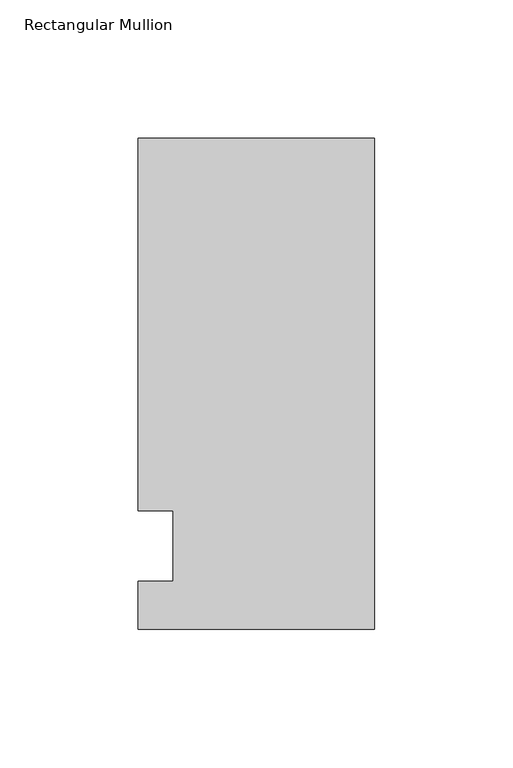
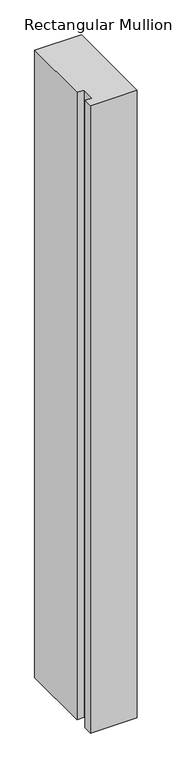
"""IFC4 building model written with IfcOpenShell, lengths in millimetres: member geometry, Rectangular Mullion."""

import ifcopenshell
import ifcopenshell.guid

model = None  # the IFC model being written
_history = None  # IfcOwnerHistory: only IFC2X3 demands one
_inside = {}  # id of a spatial element -> (the spatial element, [elements in it])
_under = {}  # id of a project, library or spatial element -> (it, [spatial elements below it])
_declared = {}  # id of a project -> (the project, [libraries it declares])
_typed = {}  # id of a type object -> (the type object, [elements of that type])
_made_of = {}  # id of a material, layer set ... -> (it, [elements and type objects made of it])


def new_model(schema):
    """Start an empty IFC model of exactly this schema.

    Asked for "IFC4X3", IfcOpenShell would pick the latest addendum, in which some entities
    have other attributes; the version numbers below select the first issue.
    IFC2X3 requires an IfcOwnerHistory on every rooted entity: one is made here for all.
    """
    global model, _history
    if schema == "IFC4X3":
        model = ifcopenshell.file(schema_version=(4, 3, 0, 0))
    else:
        model = ifcopenshell.file(schema=schema)
    _inside.clear()
    _under.clear()
    _declared.clear()
    _typed.clear()
    _made_of.clear()
    _history = None
    if model.schema == "IFC2X3":
        org = make("IfcOrganization", Name="unknown")
        user = make(
            "IfcPersonAndOrganization",
            ThePerson=make("IfcPerson", FamilyName="unknown"),
            TheOrganization=org,
        )
        app = make(
            "IfcApplication",
            ApplicationDeveloper=org,
            Version="unknown",
            ApplicationFullName="unknown",
            ApplicationIdentifier="unknown",
        )
        _history = make(
            "IfcOwnerHistory",
            OwningUser=user,
            OwningApplication=app,
            ChangeAction="ADDED",
            CreationDate=0,
        )
    return model


def make(cls, **values):
    """One entity of the class cls with the attributes given. An attribute that is None is left unset."""
    return model.create_entity(
        cls, **{name: value for name, value in values.items() if value is not None}
    )


def rooted(cls, **values):
    """An entity with a GlobalId (a new one), such as an element, a storey or a relation."""
    return make(cls, GlobalId=ifcopenshell.guid.new(), OwnerHistory=_history, **values)


def si_unit(unit_type, name, prefix=None):
    """IfcSIUnit, for example si_unit("LENGTHUNIT", "METRE", prefix="MILLI")."""
    return make("IfcSIUnit", UnitType=unit_type, Prefix=prefix, Name=name)


def assignment(units):
    """IfcUnitAssignment: the units of a project."""
    return None if units is None else make("IfcUnitAssignment", Units=units)


def point(xyz):
    """IfcCartesianPoint."""
    return None if xyz is None else make("IfcCartesianPoint", Coordinates=xyz)


def direction(xyz):
    """IfcDirection."""
    return None if xyz is None else make("IfcDirection", DirectionRatios=xyz)


def frame(location, z_axis=None, x_axis=None):
    """IfcAxis2Placement3D, a coordinate frame: its origin and axes. An axis left out is left unset."""
    return make(
        "IfcAxis2Placement3D",
        Location=point(location),
        Axis=direction(z_axis),
        RefDirection=direction(x_axis),
    )


def origin():
    """The frame at (0, 0, 0) with its axes left unset."""
    return frame((0.0, 0.0, 0.0))


def place(relative_to, where):
    """IfcLocalPlacement: puts the frame where relative to a parent placement (None: the world)."""
    return make(
        "IfcLocalPlacement", PlacementRelTo=relative_to, RelativePlacement=where
    )


def context(
    kind, dimensions, precision=None, world=None, true_north=None, identifier=None
):
    """IfcGeometricRepresentationContext, for example the 3D "Model" context."""
    return make(
        "IfcGeometricRepresentationContext",
        ContextIdentifier=identifier,
        ContextType=kind,
        CoordinateSpaceDimension=dimensions,
        Precision=precision,
        WorldCoordinateSystem=world,
        TrueNorth=true_north,
    )


def project(units=None, contexts=None):
    """IfcProject with its units and contexts."""
    return rooted(
        "IfcProject",
        Name="project",
        RepresentationContexts=contexts,
        UnitsInContext=assignment(units),
    )


def spatial(cls, under=None, at=None, **own):
    """A site, building, storey or space (cls), placed at a placement, below another one or the project."""
    s = rooted(cls, ObjectPlacement=at, **own)
    if under is not None:
        _under.setdefault(under.id(), (under, []))[1].append(s)
    return s


def polyline(points):
    """IfcPolyline through the points."""
    return make("IfcPolyline", Points=[point(p) for p in points])


def outline(outer, holes=None, kind="AREA"):
    """IfcArbitraryClosedProfileDef: a profile drawn as a closed curve; with holes, ...WithVoids."""
    if holes is None:
        return make("IfcArbitraryClosedProfileDef", ProfileType=kind, OuterCurve=outer)
    return make(
        "IfcArbitraryProfileDefWithVoids",
        ProfileType=kind,
        OuterCurve=outer,
        InnerCurves=holes,
    )


def extrude(swept, where, along, depth):
    """IfcExtrudedAreaSolid: the profile swept, set in the frame where, extruded along a direction by depth."""
    return make(
        "IfcExtrudedAreaSolid",
        SweptArea=swept,
        Position=where,
        ExtrudedDirection=direction(along),
        Depth=depth,
    )


def shape(context_of_items, identifier, shape_type, items):
    """IfcShapeRepresentation: the items that make up one representation, for example the "Body"."""
    return make(
        "IfcShapeRepresentation",
        ContextOfItems=context_of_items,
        RepresentationIdentifier=identifier,
        RepresentationType=shape_type,
        Items=items,
    )


def source(mapping_origin, context_of_items, identifier, shape_type, items):
    """IfcRepresentationMap: a shape defined once, which mapped items show again and again."""
    return make(
        "IfcRepresentationMap",
        MappingOrigin=mapping_origin,
        MappedRepresentation=shape(context_of_items, identifier, shape_type, items),
    )


def transform(
    local_origin,
    x_axis=None,
    y_axis=None,
    z_axis=None,
    scale=None,
    scale2=None,
    scale3=None,
    uniform=True,
):
    """IfcCartesianTransformationOperator3D, or its non-uniform kind. x_axis, y_axis, z_axis: its Axis1, 2, 3."""
    if uniform:
        return make(
            "IfcCartesianTransformationOperator3D",
            Axis1=direction(x_axis),
            Axis2=direction(y_axis),
            LocalOrigin=point(local_origin),
            Scale=scale,
            Axis3=direction(z_axis),
        )
    return make(
        "IfcCartesianTransformationOperator3DnonUniform",
        Axis1=direction(x_axis),
        Axis2=direction(y_axis),
        LocalOrigin=point(local_origin),
        Scale=scale,
        Axis3=direction(z_axis),
        Scale2=scale2,
        Scale3=scale3,
    )


def mapped(mapping_source, mapping_target):
    """IfcMappedItem: shows the shape of a source again, moved by a transform."""
    return make(
        "IfcMappedItem", MappingSource=mapping_source, MappingTarget=mapping_target
    )


def made_of(thing, what):
    """Note that an element or type object is made of a material, layer set ...; save() writes the relation."""
    if what is not None:
        _made_of.setdefault(what.id(), (what, []))[1].append(thing)
    return thing


def element(
    cls,
    number,
    at=None,
    inside=None,
    cuts=None,
    type_object=None,
    material=None,
    context=None,
    identifier="Body",
    shape_type=None,
    held_by="IfcProductDefinitionShape",
    body=None,
    shapes=None,
    **own,
):
    """One element of the class cls, such as IfcWall. Its Tag is "e" and its number.

    at: its placement. inside: the storey or other place that contains it. cuts: it is an
    opening in that element (IfcRelVoidsElement). A single representation is given by context,
    identifier, shape_type and body (its items); several are given by shapes. held_by: the class
    of the entity that holds the representations. save() writes the other relations.
    """
    e = rooted(cls, Tag="e%d" % number, ObjectPlacement=at, **own)
    if body is not None:
        shapes = [shape(context, identifier, shape_type, body)]
    if shapes is not None:
        e.Representation = make(held_by, Representations=shapes)
    if inside is not None:
        _inside.setdefault(inside.id(), (inside, []))[1].append(e)
    if cuts is not None:
        rooted(
            "IfcRelVoidsElement", RelatingBuildingElement=cuts, RelatedOpeningElement=e
        )
    if type_object is not None:
        _typed.setdefault(type_object.id(), (type_object, []))[1].append(e)
    return made_of(e, material)


def aggregate(whole, parts):
    """IfcRelAggregates: a whole, such as a stair, and the parts it consists of."""
    return rooted("IfcRelAggregates", RelatingObject=whole, RelatedObjects=parts)


def save(model, path):
    """Write the relations noted so far, then the file.

    IfcRelAggregates (storeys below a building ...), IfcRelContainedInSpatialStructure (elements
    in a storey), IfcRelDefinesByType, IfcRelAssociatesMaterial and IfcRelDeclares: one each for
    every whole, place, type object, material and project.
    """
    for whole, parts in _under.values():
        aggregate(whole, parts)
    for where, things in _inside.values():
        rooted(
            "IfcRelContainedInSpatialStructure",
            RelatedElements=things,
            RelatingStructure=where,
        )
    for kind, things in _typed.values():
        rooted("IfcRelDefinesByType", RelatedObjects=things, RelatingType=kind)
    for what, things in _made_of.values():
        rooted("IfcRelAssociatesMaterial", RelatedObjects=things, RelatingMaterial=what)
    for by, libraries in _declared.values():
        rooted("IfcRelDeclares", RelatingContext=by, RelatedDefinitions=libraries)
    model.write(path)


def rectangular_mullion_a2c53c93(model_context):
    return source(origin(), model_context, "Body", "SweptSolid", [
        extrude(outline(polyline([(-85.725, 147.6375), (0.0, 147.6375), (0.0, -30.1625), (-85.725, -30.1625), (-85.725, -12.7), (-73.025, -12.7), (-73.025, 12.7), (-85.725, 12.7), (-85.725, 147.6375)])), frame((0.0, 0.0, -1219.2), z_axis=(0.0, 0.0, 1.0), x_axis=(1.0, 0.0, 0.0)), (0.0, 0.0, 1.0), 1219.2),
    ])


if __name__ == "__main__":
    model = new_model("IFC4")
    model_context = context("Model", 3, world=origin())
    ifc_project = project(units=[si_unit("LENGTHUNIT", "METRE", prefix="MILLI")], contexts=[model_context])
    site = spatial("IfcSite", under=ifc_project)
    building = spatial("IfcBuilding", under=site)
    placement = place(None, origin())
    rectangular_mullion_shape = rectangular_mullion_a2c53c93(model_context)
    element("IfcMember", 1, ObjectType="Rectangular Mullion", at=placement, inside=building, context=model_context, shape_type="MappedRepresentation", body=[
        mapped(rectangular_mullion_shape, transform((0.0, 0.0, 0.0), x_axis=(1.0, 0.0, 0.0), y_axis=(0.0, 1.0, 0.0), z_axis=(0.0, 0.0, 1.0))),
    ])
    save(model, "model.ifc")
